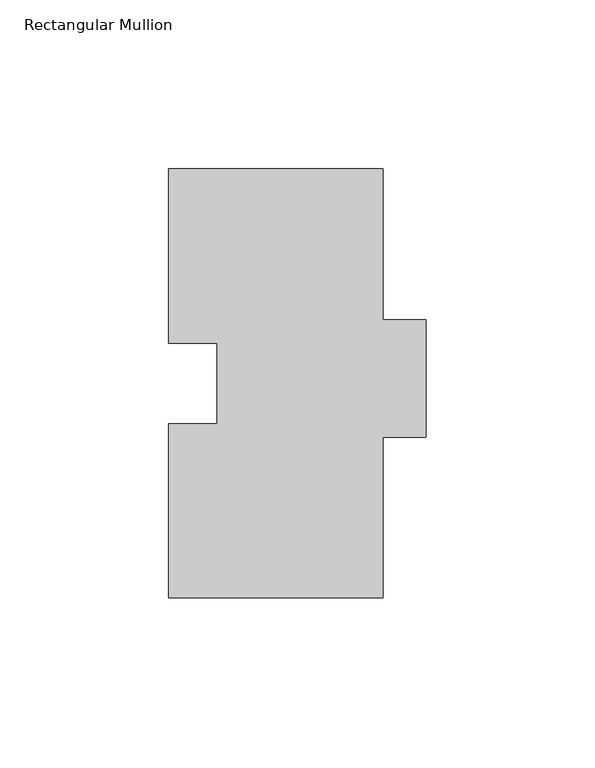
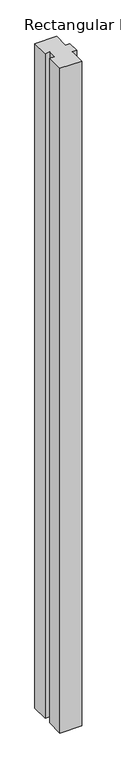
"""IFC4 building model written with IfcOpenShell, lengths in millimetres: member geometry, Rectangular Mullion."""

from ifc_helpers import new_model, si_unit, frame, origin, place, context, project, spatial, polyline, outline, extrude, source, transform, mapped, element, save


def rectangular_mullion_174a2afd(model_context):
    return source(origin(), model_context, "Body", "SweptSolid", [
        extrude(outline(polyline([(-31.75, 126.857125), (31.75, 126.857125), (31.75, 82.153125), (44.45, 82.153125), (44.45, 47.482125), (31.75, 47.482125), (31.75, -0.142875), (-31.75, -0.142875), (-31.75, 51.457225), (-17.4498, 51.457225), (-17.4498, 75.257025), (-31.75, 75.257025), (-31.75, 126.857125)])), frame((0.0, 0.0, -2060.575), z_axis=(0.0, 0.0, 1.0), x_axis=(1.0, 0.0, 0.0)), (0.0, 0.0, 1.0), 2060.575),
    ])


if __name__ == "__main__":
    model = new_model("IFC4")
    model_context = context("Model", 3, world=origin())
    ifc_project = project(units=[si_unit("LENGTHUNIT", "METRE", prefix="MILLI")], contexts=[model_context])
    site = spatial("IfcSite", under=ifc_project)
    building = spatial("IfcBuilding", under=site)
    placement = place(None, origin())
    rectangular_mullion_shape = rectangular_mullion_174a2afd(model_context)
    element("IfcMember", 1, ObjectType="Rectangular Mullion", at=placement, inside=building, context=model_context, shape_type="MappedRepresentation", body=[
        mapped(rectangular_mullion_shape, transform((0.0, 0.0, 0.0), x_axis=(1.0, 0.0, 0.0), y_axis=(0.0, 1.0, 0.0), z_axis=(0.0, 0.0, 1.0))),
    ])
    save(model, "model.ifc")
